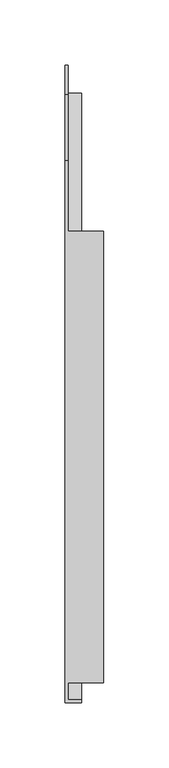
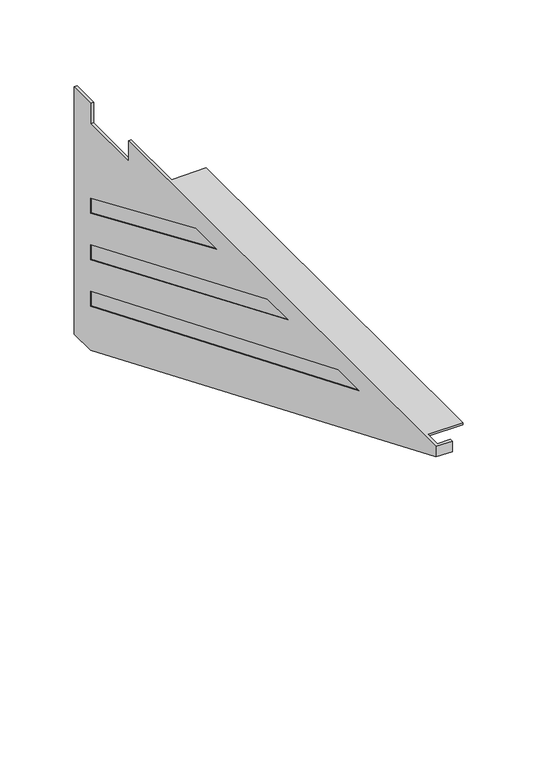
"""IFC4 building model written with IfcOpenShell, lengths in millimetres: furniture geometry."""

from ifc_helpers import new_model, si_unit, origin, place, context, project, spatial, faceted_brep, source, transform, mapped, element, save


def furniture_3021301d(model_context):
    return source(origin(), model_context, "Body", "Brep", [
        faceted_brep([(-4.07162, 265.9558598, 708.60412), (-4.07162, 211.9808613, 708.60412), (-4.07162, 211.9808613, 707.0801215), (-4.07162, -133.4589776, 707.0801215), (-4.07162, -133.4589776, 708.60412), (-4.07162, -146.2023206, 708.60412), (-4.07162, -146.2023206, 701.529575), (-4.07162, 317.635086, 507.5060185), (-4.07162, 316.7558601, 505.40412), (-4.07162, 338.9808594, 505.40412), (-4.07162, 338.9808594, 708.60412), (-4.07162, 316.7558601, 708.60412), (-4.07162, 316.7558601, 691.6377137), (-4.07162, 265.9558598, 691.6377137), (-4.07162, 316.7558601, 554.1166691), (-4.07162, 316.7558601, 541.9246691), (-4.07162, -44.782029, 691.6377137), (-4.07162, -16.6213816, 691.6377137), (-4.07162, 316.7558601, 592.2193517), (-4.07162, 316.7558601, 580.0273517), (-4.07162, 51.0942056, 691.6377137), (-4.07162, 79.254853, 691.6377137), (-4.07162, 316.7558601, 630.3220343), (-4.07162, 316.7558601, 618.1300343), (-4.07162, 146.9704402, 691.6377137), (-4.07162, 175.1310876, 691.6377137), (-6.3539688, -148.4807006, 708.60412), (-6.3539688, 265.9558598, 708.60412), (-6.3539688, 265.9558598, 691.6377137), (-6.3539688, 316.7558601, 691.6377137), (-6.3539688, 316.7558601, 708.60412), (-6.3539688, 338.9808594, 708.60412), (-6.3539688, 338.9808594, 505.40412), (-6.3539688, 316.7558601, 505.40412), (-6.3539688, -148.4807006, 700.0129438), (-6.3539688, -16.6213816, 691.6377137), (-6.3539688, -44.782029, 691.6377137), (-6.3539688, 316.7558601, 541.9246691), (-6.3539688, 316.7558601, 554.1166691), (-6.3539688, 79.254853, 691.6377137), (-6.3539688, 51.0942056, 691.6377137), (-6.3539688, 316.7558601, 580.0273517), (-6.3539688, 316.7558601, 592.2193517), (-6.3539688, 175.1310876, 691.6377137), (-6.3539688, 146.9704402, 691.6377137), (-6.3539688, 316.7558601, 618.1300343), (-6.3539688, 316.7558601, 630.3220343), (6.3460312, 316.7558601, 505.40412), (6.3460312, -148.4807006, 700.0129438), (6.3460312, -148.4807006, 708.60412), (6.3460312, -146.2023206, 708.60412), (23.1139999, -133.4589776, 708.60412), (23.1139999, 211.9808613, 708.60412), (23.1139999, -133.4589776, 707.0801215), (23.1139999, 211.9808613, 707.0801215), (6.3460312, -146.2023206, 701.529575), (6.3460312, 317.635086, 507.5060185), (-4.86537, -16.6213816, 691.6377137), (-4.86537, -44.782029, 691.6377137), (-4.86537, 316.7558601, 541.9246691), (-4.86537, 316.7558601, 554.1166691), (-4.86537, 79.254853, 691.6377137), (-4.86537, 51.0942056, 691.6377137), (-4.86537, 316.7558601, 580.0273517), (-4.86537, 316.7558601, 592.2193517), (-4.86537, 175.1310876, 691.6377137), (-4.86537, 146.9704402, 691.6377137), (-4.86537, 316.7558601, 618.1300343), (-4.86537, 316.7558601, 630.3220343), (-5.55625, -16.6213816, 691.6377137), (-5.55625, 316.7558601, 554.1166691), (-5.55625, 316.7558601, 541.9246691), (-5.55625, -44.782029, 691.6377137), (-5.55625, 79.254853, 691.6377137), (-5.55625, 316.7558601, 592.2193517), (-5.55625, 316.7558601, 580.0273517), (-5.55625, 51.0942056, 691.6377137), (-5.55625, 175.1310876, 691.6377137), (-5.55625, 316.7558601, 630.3220343), (-5.55625, 316.7558601, 618.1300343), (-5.55625, 146.9704402, 691.6377137)], [[[0, 1, 2, 3, 4, 5, 6, 7, 8, 9, 10, 11, 12, 13], [14, 15, 16, 17], [18, 19, 20, 21], [22, 23, 24, 25]], [[26, 27, 28, 29, 30, 31, 32, 33, 34], [35, 36, 37, 38], [39, 40, 41, 42], [43, 44, 45, 46]], [[13, 28, 27, 0]], [[12, 29, 28, 13]], [[11, 30, 29, 12]], [[10, 31, 30, 11]], [[9, 32, 31, 10]], [[8, 33, 32, 9]], [[33, 8, 47, 48, 34]], [[27, 26, 49, 50, 5, 4, 51, 52, 1, 0]], [[53, 3, 2, 54]], [[54, 2, 1, 52]], [[54, 52, 51, 53]], [[51, 4, 3, 53]], [[34, 48, 49, 26]], [[55, 56, 7, 6]], [[50, 55, 6, 5]], [[57, 58, 59, 60]], [[61, 62, 63, 64]], [[65, 66, 67, 68]], [[60, 14, 17, 57]], [[59, 15, 14, 60]], [[58, 16, 15, 59]], [[57, 17, 16, 58]], [[64, 18, 21, 61]], [[63, 19, 18, 64]], [[62, 20, 19, 63]], [[61, 21, 20, 62]], [[68, 22, 25, 65]], [[67, 23, 22, 68]], [[66, 24, 23, 67]], [[65, 25, 24, 66]], [[69, 70, 71, 72]], [[73, 74, 75, 76]], [[77, 78, 79, 80]], [[69, 35, 38, 70]], [[70, 38, 37, 71]], [[71, 37, 36, 72]], [[72, 36, 35, 69]], [[73, 39, 42, 74]], [[74, 42, 41, 75]], [[75, 41, 40, 76]], [[76, 40, 39, 73]], [[77, 43, 46, 78]], [[78, 46, 45, 79]], [[79, 45, 44, 80]], [[80, 44, 43, 77]], [[8, 7, 56, 47]], [[49, 48, 47, 56, 55, 50]]]),
    ])


if __name__ == "__main__":
    model = new_model("IFC4")
    model_context = context("Model", 3, world=origin())
    ifc_project = project(units=[si_unit("LENGTHUNIT", "METRE", prefix="MILLI")], contexts=[model_context])
    site = spatial("IfcSite", under=ifc_project)
    building = spatial("IfcBuilding", under=site)
    placement = place(None, origin())
    furniture_shape = furniture_3021301d(model_context)
    element("IfcFurniture", 1, at=placement, inside=building, context=model_context, shape_type="MappedRepresentation", body=[
        mapped(furniture_shape, transform((0.0, 0.0, 0.0), x_axis=(1.0, 0.0, 0.0), y_axis=(0.0, 1.0, 0.0), z_axis=(0.0, 0.0, 1.0))),
    ])
    save(model, "model.ifc")
